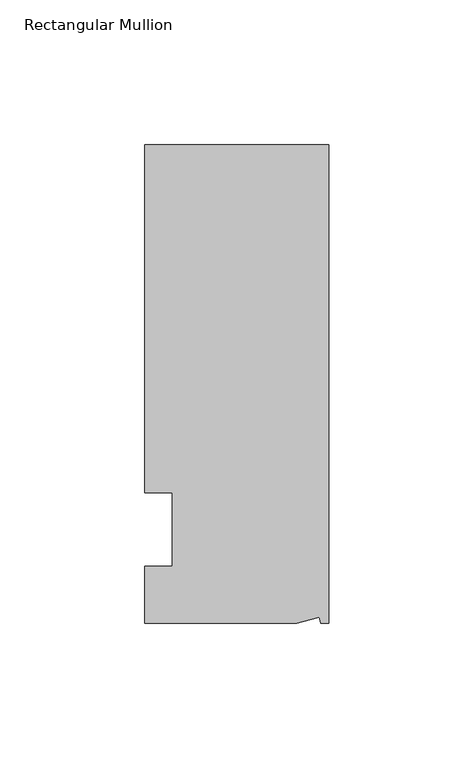
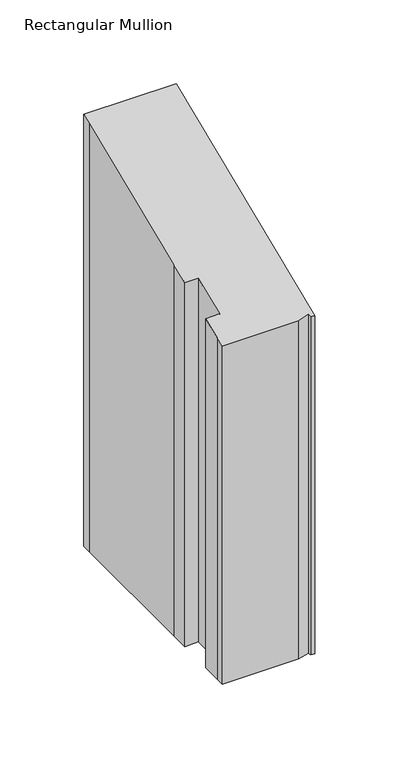
"""IFC4 building model written with IfcOpenShell, lengths in millimetres: member geometry, Rectangular Mullion."""

from ifc_helpers import new_model, si_unit, origin, place, context, project, spatial, faceted_brep, source, transform, mapped, element, save


def rectangular_mullion_4d571845(model_context):
    return source(origin(), model_context, "Body", "Brep", [
        faceted_brep([(-3.3457217, -17.5748952, -7.2797599), (-11.1265412, -19.6597595, -8.143339), (-11.1265412, -19.6597595, -254.0), (-3.3457217, -17.5748952, -254.0), (-2.787084, -19.6597595, -8.143339), (-2.787084, -19.6597595, -254.0), (0.0, -19.6597595, -8.143339), (0.0, -19.6597595, -254.0), (0.0, 145.4402405, 60.2433201), (0.0, 145.4402405, -254.0), (-63.5, 145.4402405, 60.2433201), (-63.5, 145.4402405, -254.0), (-63.5, 139.0912527, 57.6134833), (-63.5, 139.0912527, -254.0), (-63.5, 38.3358837, 15.8792429), (-63.5, 38.3358837, -254.0), (-53.975, 25.4, 10.5210245), (-63.5, 25.4, 10.5210245), (-63.5, 25.4, -254.0), (-53.975, 25.4, -254.0), (-53.975, 0.0, 0.0), (-53.975, 0.0, -254.0), (-63.5, 0.0, 0.0), (-63.5, 0.0, -254.0), (-63.5, -13.6146679, -5.6393801), (-63.5, -13.6146679, -254.0), (-63.5, -19.6597595, -8.143339), (-63.5, -19.6597595, -254.0)], [[[0, 1, 2, 3]], [[4, 0, 3, 5]], [[6, 4, 5, 7]], [[8, 6, 7, 9]], [[10, 8, 9, 11]], [[12, 10, 11, 13]], [[14, 12, 13, 15]], [[16, 17, 18, 19]], [[20, 16, 19, 21]], [[22, 20, 21, 23]], [[24, 22, 23, 25]], [[1, 26, 27, 2]], [[1, 0, 4, 6, 8, 10, 12, 14, 17, 16, 20, 22, 24, 26]], [[2, 27, 25, 23, 21, 19, 18, 15, 13, 11, 9, 7, 5, 3]], [[17, 14, 15, 18]], [[26, 24, 25, 27]]]),
    ])


if __name__ == "__main__":
    model = new_model("IFC4")
    model_context = context("Model", 3, world=origin())
    ifc_project = project(units=[si_unit("LENGTHUNIT", "METRE", prefix="MILLI")], contexts=[model_context])
    site = spatial("IfcSite", under=ifc_project)
    building = spatial("IfcBuilding", under=site)
    placement = place(None, origin())
    rectangular_mullion_shape = rectangular_mullion_4d571845(model_context)
    element("IfcMember", 1, ObjectType="Rectangular Mullion", at=placement, inside=building, context=model_context, shape_type="MappedRepresentation", body=[
        mapped(rectangular_mullion_shape, transform((0.0, 0.0, 0.0), x_axis=(1.0, 0.0, 0.0), y_axis=(0.0, 1.0, 0.0), z_axis=(0.0, 0.0, 1.0))),
    ])
    save(model, "model.ifc")
